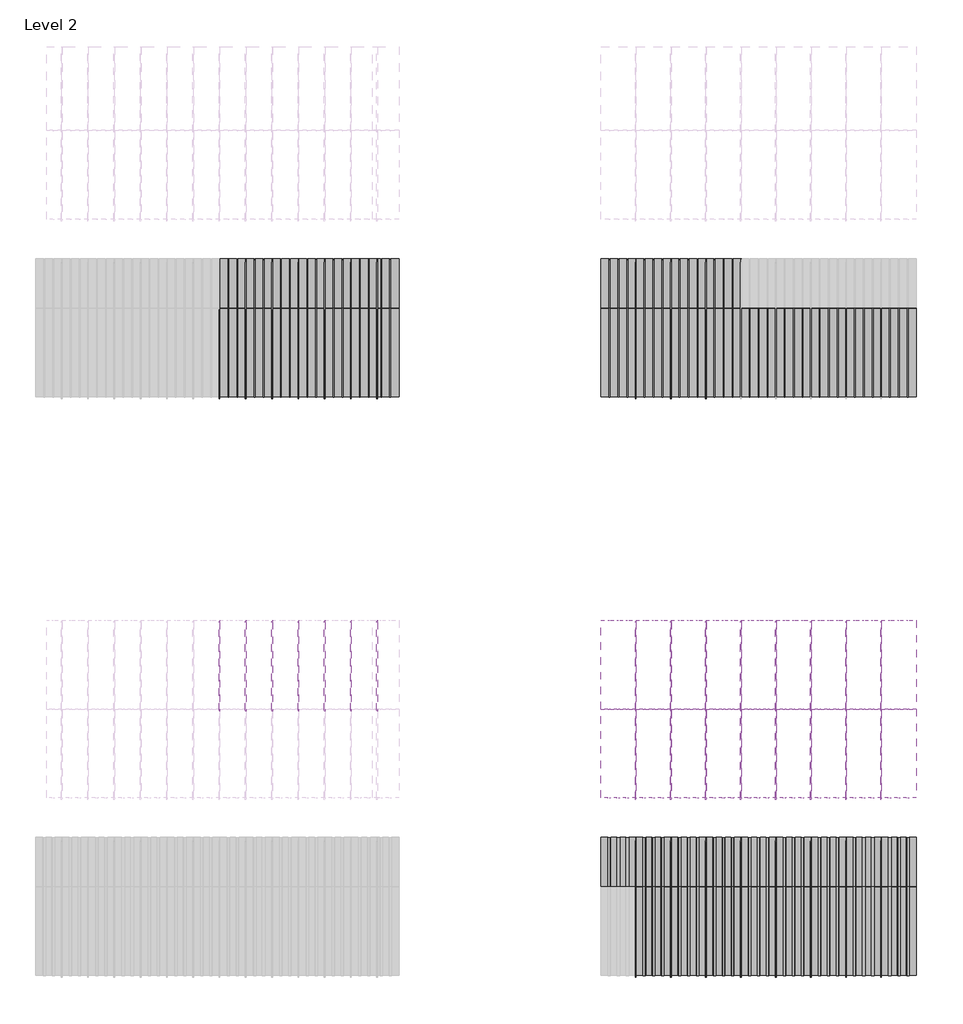
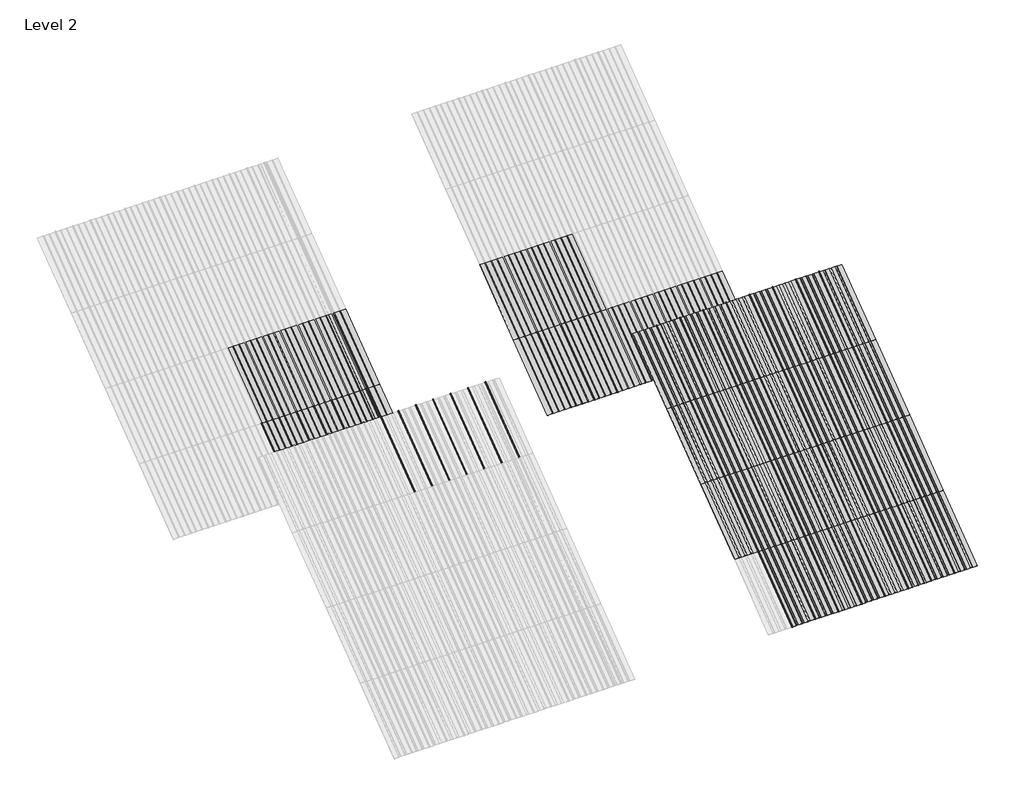
# One storey, part 18 of 113: 62 plates, 49 members.
"""IFC4 building model written with IfcOpenShell, lengths in millimetres."""

import ifcopenshell
import ifcopenshell.guid

model = None  # the IFC model being written
_history = None  # IfcOwnerHistory: only IFC2X3 demands one
_inside = {}  # id of a spatial element -> (the spatial element, [elements in it])
_under = {}  # id of a project, library or spatial element -> (it, [spatial elements below it])
_declared = {}  # id of a project -> (the project, [libraries it declares])
_typed = {}  # id of a type object -> (the type object, [elements of that type])
_made_of = {}  # id of a material, layer set ... -> (it, [elements and type objects made of it])


def new_model(schema):
    """Start an empty IFC model of exactly this schema.

    Asked for "IFC4X3", IfcOpenShell would pick the latest addendum, in which some entities
    have other attributes; the version numbers below select the first issue.
    IFC2X3 requires an IfcOwnerHistory on every rooted entity: one is made here for all.
    """
    global model, _history
    if schema == "IFC4X3":
        model = ifcopenshell.file(schema_version=(4, 3, 0, 0))
    else:
        model = ifcopenshell.file(schema=schema)
    _inside.clear()
    _under.clear()
    _declared.clear()
    _typed.clear()
    _made_of.clear()
    _history = None
    if model.schema == "IFC2X3":
        org = make("IfcOrganization", Name="unknown")
        user = make(
            "IfcPersonAndOrganization",
            ThePerson=make("IfcPerson", FamilyName="unknown"),
            TheOrganization=org,
        )
        app = make(
            "IfcApplication",
            ApplicationDeveloper=org,
            Version="unknown",
            ApplicationFullName="unknown",
            ApplicationIdentifier="unknown",
        )
        _history = make(
            "IfcOwnerHistory",
            OwningUser=user,
            OwningApplication=app,
            ChangeAction="ADDED",
            CreationDate=0,
        )
    return model


def make(cls, **values):
    """One entity of the class cls with the attributes given. An attribute that is None is left unset."""
    return model.create_entity(
        cls, **{name: value for name, value in values.items() if value is not None}
    )


def rooted(cls, **values):
    """An entity with a GlobalId (a new one), such as an element, a storey or a relation."""
    return make(cls, GlobalId=ifcopenshell.guid.new(), OwnerHistory=_history, **values)


def si_unit(unit_type, name, prefix=None):
    """IfcSIUnit, for example si_unit("LENGTHUNIT", "METRE", prefix="MILLI")."""
    return make("IfcSIUnit", UnitType=unit_type, Prefix=prefix, Name=name)


def assignment(units):
    """IfcUnitAssignment: the units of a project."""
    return None if units is None else make("IfcUnitAssignment", Units=units)


def point(xyz):
    """IfcCartesianPoint."""
    return None if xyz is None else make("IfcCartesianPoint", Coordinates=xyz)


def direction(xyz):
    """IfcDirection."""
    return None if xyz is None else make("IfcDirection", DirectionRatios=xyz)


def frame(location, z_axis=None, x_axis=None):
    """IfcAxis2Placement3D, a coordinate frame: its origin and axes. An axis left out is left unset."""
    return make(
        "IfcAxis2Placement3D",
        Location=point(location),
        Axis=direction(z_axis),
        RefDirection=direction(x_axis),
    )


def frame_2d(location, x_axis=None):
    """IfcAxis2Placement2D, a coordinate frame in the plane: its origin and x axis."""
    return make(
        "IfcAxis2Placement2D", Location=point(location), RefDirection=direction(x_axis)
    )


def origin():
    """The frame at (0, 0, 0) with its axes left unset."""
    return frame((0.0, 0.0, 0.0))


def origin_with_axes():
    """The frame at (0, 0, 0) with the z axis (0, 0, 1) and the x axis (1, 0, 0) written out."""
    return frame((0.0, 0.0, 0.0), z_axis=(0.0, 0.0, 1.0), x_axis=(1.0, 0.0, 0.0))


def origin_2d():
    """The frame at (0, 0) in the plane with its x axis left unset."""
    return frame_2d((0.0, 0.0))


def place(relative_to, where):
    """IfcLocalPlacement: puts the frame where relative to a parent placement (None: the world)."""
    return make(
        "IfcLocalPlacement", PlacementRelTo=relative_to, RelativePlacement=where
    )


def context(
    kind, dimensions, precision=None, world=None, true_north=None, identifier=None
):
    """IfcGeometricRepresentationContext, for example the 3D "Model" context."""
    return make(
        "IfcGeometricRepresentationContext",
        ContextIdentifier=identifier,
        ContextType=kind,
        CoordinateSpaceDimension=dimensions,
        Precision=precision,
        WorldCoordinateSystem=world,
        TrueNorth=true_north,
    )


def project(units=None, contexts=None):
    """IfcProject with its units and contexts."""
    return rooted(
        "IfcProject",
        Name="project",
        RepresentationContexts=contexts,
        UnitsInContext=assignment(units),
    )


def spatial(cls, under=None, at=None, **own):
    """A site, building, storey or space (cls), placed at a placement, below another one or the project."""
    s = rooted(cls, ObjectPlacement=at, **own)
    if under is not None:
        _under.setdefault(under.id(), (under, []))[1].append(s)
    return s


def polyline(points):
    """IfcPolyline through the points."""
    return make("IfcPolyline", Points=[point(p) for p in points])


def circle_curve(where, radius):
    """IfcCircle in the frame where."""
    return make("IfcCircle", Position=where, Radius=radius)


def trimmed(basis, trim1, trim2, sense, master):
    """IfcTrimmedCurve: the piece of a basis curve between two trims."""
    return make(
        "IfcTrimmedCurve",
        BasisCurve=basis,
        Trim1=trim1,
        Trim2=trim2,
        SenseAgreement=sense,
        MasterRepresentation=master,
    )


def segment(curve, same_sense, transition):
    """IfcCompositeCurveSegment."""
    return make(
        "IfcCompositeCurveSegment",
        Transition=transition,
        SameSense=same_sense,
        ParentCurve=curve,
    )


def composite_curve(segments, self_intersect=None):
    """IfcCompositeCurve: segments joined end to end."""
    return make("IfcCompositeCurve", Segments=segments, SelfIntersect=self_intersect)


def outline(outer, holes=None, kind="AREA"):
    """IfcArbitraryClosedProfileDef: a profile drawn as a closed curve; with holes, ...WithVoids."""
    if holes is None:
        return make("IfcArbitraryClosedProfileDef", ProfileType=kind, OuterCurve=outer)
    return make(
        "IfcArbitraryProfileDefWithVoids",
        ProfileType=kind,
        OuterCurve=outer,
        InnerCurves=holes,
    )


def extrude(swept, where, along, depth):
    """IfcExtrudedAreaSolid: the profile swept, set in the frame where, extruded along a direction by depth."""
    return make(
        "IfcExtrudedAreaSolid",
        SweptArea=swept,
        Position=where,
        ExtrudedDirection=direction(along),
        Depth=depth,
    )


def shape(context_of_items, identifier, shape_type, items):
    """IfcShapeRepresentation: the items that make up one representation, for example the "Body"."""
    return make(
        "IfcShapeRepresentation",
        ContextOfItems=context_of_items,
        RepresentationIdentifier=identifier,
        RepresentationType=shape_type,
        Items=items,
    )


def source(mapping_origin, context_of_items, identifier, shape_type, items):
    """IfcRepresentationMap: a shape defined once, which mapped items show again and again."""
    return make(
        "IfcRepresentationMap",
        MappingOrigin=mapping_origin,
        MappedRepresentation=shape(context_of_items, identifier, shape_type, items),
    )


def transform(
    local_origin,
    x_axis=None,
    y_axis=None,
    z_axis=None,
    scale=None,
    scale2=None,
    scale3=None,
    uniform=True,
):
    """IfcCartesianTransformationOperator3D, or its non-uniform kind. x_axis, y_axis, z_axis: its Axis1, 2, 3."""
    if uniform:
        return make(
            "IfcCartesianTransformationOperator3D",
            Axis1=direction(x_axis),
            Axis2=direction(y_axis),
            LocalOrigin=point(local_origin),
            Scale=scale,
            Axis3=direction(z_axis),
        )
    return make(
        "IfcCartesianTransformationOperator3DnonUniform",
        Axis1=direction(x_axis),
        Axis2=direction(y_axis),
        LocalOrigin=point(local_origin),
        Scale=scale,
        Axis3=direction(z_axis),
        Scale2=scale2,
        Scale3=scale3,
    )


def mapped(mapping_source, mapping_target):
    """IfcMappedItem: shows the shape of a source again, moved by a transform."""
    return make(
        "IfcMappedItem", MappingSource=mapping_source, MappingTarget=mapping_target
    )


def made_of(thing, what):
    """Note that an element or type object is made of a material, layer set ...; save() writes the relation."""
    if what is not None:
        _made_of.setdefault(what.id(), (what, []))[1].append(thing)
    return thing


def element(
    cls,
    number,
    at=None,
    inside=None,
    cuts=None,
    type_object=None,
    material=None,
    context=None,
    identifier="Body",
    shape_type=None,
    held_by="IfcProductDefinitionShape",
    body=None,
    shapes=None,
    **own,
):
    """One element of the class cls, such as IfcWall. Its Tag is "e" and its number.

    at: its placement. inside: the storey or other place that contains it. cuts: it is an
    opening in that element (IfcRelVoidsElement). A single representation is given by context,
    identifier, shape_type and body (its items); several are given by shapes. held_by: the class
    of the entity that holds the representations. save() writes the other relations.
    """
    e = rooted(cls, Tag="e%d" % number, ObjectPlacement=at, **own)
    if body is not None:
        shapes = [shape(context, identifier, shape_type, body)]
    if shapes is not None:
        e.Representation = make(held_by, Representations=shapes)
    if inside is not None:
        _inside.setdefault(inside.id(), (inside, []))[1].append(e)
    if cuts is not None:
        rooted(
            "IfcRelVoidsElement", RelatingBuildingElement=cuts, RelatedOpeningElement=e
        )
    if type_object is not None:
        _typed.setdefault(type_object.id(), (type_object, []))[1].append(e)
    return made_of(e, material)


def aggregate(whole, parts):
    """IfcRelAggregates: a whole, such as a stair, and the parts it consists of."""
    return rooted("IfcRelAggregates", RelatingObject=whole, RelatedObjects=parts)


def save(model, path):
    """Write the relations noted so far, then the file.

    IfcRelAggregates (storeys below a building ...), IfcRelContainedInSpatialStructure (elements
    in a storey), IfcRelDefinesByType, IfcRelAssociatesMaterial and IfcRelDeclares: one each for
    every whole, place, type object, material and project.
    """
    for whole, parts in _under.values():
        aggregate(whole, parts)
    for where, things in _inside.values():
        rooted(
            "IfcRelContainedInSpatialStructure",
            RelatedElements=things,
            RelatingStructure=where,
        )
    for kind, things in _typed.values():
        rooted("IfcRelDefinesByType", RelatedObjects=things, RelatingType=kind)
    for what, things in _made_of.values():
        rooted("IfcRelAssociatesMaterial", RelatedObjects=things, RelatingMaterial=what)
    for by, libraries in _declared.values():
        rooted("IfcRelDeclares", RelatingContext=by, RelatedDefinitions=libraries)
    model.write(path)


def rectangular_mullion_fdfbbcc3(model_context):
    return source(origin(), model_context, "Body", "SweptSolid", [
        extrude(outline(composite_curve([segment(polyline([(-1.651, -33.7200875), (-1.651, 0.5953125), (1.778, 0.5953125), (1.778, -36.2600875)]), True, "CONTINUOUS"), segment(trimmed(circle_curve(frame_2d((-0.762, -36.2600875)), 2.54), [point((1.778, -36.2600875))], [point((-0.762, -38.8000875))], False, "CARTESIAN"), True, "CONTINUOUS"), segment(polyline([(-0.762, -38.8000875), (-5.207, -38.8000875)]), True, "CONTINUOUS"), segment(trimmed(circle_curve(frame_2d((-5.207, -36.2600875)), 2.54), [point((-5.207, -38.8000875))], [point((-7.747, -36.2600875))], False, "CARTESIAN"), True, "CONTINUOUS"), segment(polyline([(-7.747, -36.2600875), (-7.747, -26.2270875)]), True, "CONTINUOUS"), segment(trimmed(circle_curve(frame_2d((-5.207, -26.2270875)), 2.54), [point((-7.747, -26.2270875))], [point((-2.667, -26.2270875))], False, "CARTESIAN"), True, "CONTINUOUS"), segment(polyline([(-2.667, -26.2270875), (-2.667, -33.7200875), (-1.651, -33.7200875)]), True, "CONTINUOUS")], self_intersect=False)), frame((0.0, 0.0, -1285.875), z_axis=(0.0, 0.0, 1.0), x_axis=(1.0, 0.0, 0.0)), (0.0, 0.0, 1.0), 1285.875),
    ])


def plate_0_04_aluminium_705ef83d(model_context):
    return source(origin(), model_context, "Body", "SweptSolid", [
        extrude(outline(polyline([(-123.9800294, 1.016), (-120.4316494, -2.53238), (-90.8914494, -2.53238), (-87.3430694, 0.8128), (-18.31848, 0.8128), (-14.7701, -2.73558), (14.7701, -2.73558), (18.31848, 0.8128), (85.75548, 0.8128), (89.30386, -2.73558), (118.84406, -2.73558), (122.39244, 0.8128), (203.2, 0.8128), (203.2, 0.0), (122.456147, 0.0), (118.907767, -3.54838), (89.240153, -3.54838), (85.691773, 0.0), (18.382187, 0.0), (14.833807, -3.54838), (-14.833807, -3.54838), (-18.382187, 0.0), (-87.2793624, 0.0), (-90.8277424, -3.54838), (-120.4953564, -3.54838), (-124.0437364, 0.0), (-203.2, 0.0), (-203.2, 1.016), (-123.9800294, 1.016)])), origin_with_axes(), (0.0, 0.0, 1.0), 1285.875),
    ])


def plate_0_04_aluminium_12188358(model_context):
    return source(origin(), model_context, "Body", "SweptSolid", [
        extrude(outline(composite_curve([segment(polyline([(-57.57418, 1.016), (-57.57418, 0.0)]), True, "CONTINUOUS"), segment(trimmed(circle_curve(frame_2d((-52.03698, 0.0)), 5.5372), [point((-57.57418, 0.0))], [point((-46.49978, 0.0))], True, "CARTESIAN"), True, "CONTINUOUS"), segment(polyline([(-46.49978, 0.0), (-46.49978, 1.016), (46.49978, 1.016), (46.49978, 0.0)]), True, "CONTINUOUS"), segment(trimmed(circle_curve(frame_2d((52.03698, 0.0)), 5.5372), [point((46.49978, 0.0))], [point((57.57418, 0.0))], True, "CARTESIAN"), True, "CONTINUOUS"), segment(polyline([(57.57418, 0.0), (57.57418, 1.016), (152.4, 1.016), (152.4, 0.0), (58.38698, 0.0)]), True, "CONTINUOUS"), segment(trimmed(circle_curve(frame_2d((52.03698, 0.0)), 6.35), [point((58.38698, 0.0))], [point((45.68698, 0.0))], False, "CARTESIAN"), True, "CONTINUOUS"), segment(polyline([(45.68698, 0.0), (-45.68698, 0.0)]), True, "CONTINUOUS"), segment(trimmed(circle_curve(frame_2d((-52.03698, 0.0)), 6.35), [point((-45.68698, 0.0))], [point((-58.38698, 0.0))], False, "CARTESIAN"), True, "CONTINUOUS"), segment(polyline([(-58.38698, 0.0), (-152.4, 0.0), (-152.4, 1.016), (-57.57418, 1.016)]), True, "CONTINUOUS")], self_intersect=False)), origin_with_axes(), (0.0, 0.0, 1.0), 1285.875),
    ])


def plate_0_04_aluminium_0b8a259f(model_context):
    return source(origin(), model_context, "Body", "SweptSolid", [
        extrude(outline(composite_curve([segment(polyline([(-111.1987494, 1.016), (-111.1987494, 0.0)]), True, "CONTINUOUS"), segment(trimmed(circle_curve(frame_2d((-105.6615494, 0.0)), 5.5372), [point((-111.1987494, 0.0))], [point((-100.1243494, 0.0))], True, "CARTESIAN"), True, "CONTINUOUS"), segment(polyline([(-100.1243494, 0.0), (-100.1243494, 0.8128), (-5.5372, 0.8128), (-5.5372, 0.0)]), True, "CONTINUOUS"), segment(trimmed(circle_curve(origin_2d(), 5.5372), [point((-5.5372, 0.0))], [point((5.5372, 0.0))], True, "CARTESIAN"), True, "CONTINUOUS"), segment(polyline([(5.5372, 0.0), (5.5372, 0.8128), (98.53676, 0.8128), (98.53676, 0.0)]), True, "CONTINUOUS"), segment(trimmed(circle_curve(frame_2d((104.07396, 0.0)), 5.5372), [point((98.53676, 0.0))], [point((109.61116, 0.0))], True, "CARTESIAN"), True, "CONTINUOUS"), segment(polyline([(109.61116, 0.0), (109.61116, 0.8128), (203.2, 0.8128), (203.2, 0.0), (110.42396, 0.0)]), True, "CONTINUOUS"), segment(trimmed(circle_curve(frame_2d((104.07396, 0.0)), 6.35), [point((110.42396, 0.0))], [point((97.72396, 0.0))], False, "CARTESIAN"), True, "CONTINUOUS"), segment(polyline([(97.72396, 0.0), (6.35, 0.0)]), True, "CONTINUOUS"), segment(trimmed(circle_curve(origin_2d(), 6.35), [point((6.35, 0.0))], [point((-6.35, 0.0))], False, "CARTESIAN"), True, "CONTINUOUS"), segment(polyline([(-6.35, 0.0), (-99.3115494, 0.0)]), True, "CONTINUOUS"), segment(trimmed(circle_curve(frame_2d((-105.6615494, 0.0)), 6.35), [point((-99.3115494, 0.0))], [point((-112.0115494, 0.0))], False, "CARTESIAN"), True, "CONTINUOUS"), segment(polyline([(-112.0115494, 0.0), (-203.2, 0.0), (-203.2, 1.016), (-111.1987494, 1.016)]), True, "CONTINUOUS")], self_intersect=False)), origin_with_axes(), (0.0, 0.0, 1.0), 1285.875),
    ])


model = new_model("IFC4")

# Units and contexts
model_context = context("Model", 3, world=origin())
ifc_project = project(units=[si_unit("LENGTHUNIT", "METRE", prefix="MILLI")], contexts=[model_context])

# Site, building, storey
site = spatial("IfcSite", under=ifc_project)
building = spatial("IfcBuilding", under=site)
storey = spatial("IfcBuildingStorey", under=building, Name="Level 2", Elevation=3048.0)

# Members
placement = place(None, origin())
rectangular_mullion_shape = rectangular_mullion_fdfbbcc3(model_context)
element("IfcMember", 1, ObjectType="Rectangular Mullion", at=placement, inside=storey, context=model_context, shape_type="MappedRepresentation", body=[
    mapped(rectangular_mullion_shape, transform((24032.5538419, 52371.3111864, 6134.1), x_axis=(1.0, 0.0, 0.0), y_axis=(0.0, 0.5999999999999946, -0.800000000000004), z_axis=(0.0, 0.800000000000004, 0.5999999999999946))),
])
element("IfcMember", 2, ObjectType="Rectangular Mullion", at=placement, inside=storey, context=model_context, shape_type="MappedRepresentation", body=[
    mapped(rectangular_mullion_shape, transform((24337.3538419, 52371.3111864, 6134.1), x_axis=(1.0, 0.0, 0.0), y_axis=(0.0, 0.5999999999999946, -0.800000000000004), z_axis=(0.0, 0.800000000000004, 0.5999999999999946))),
])
element("IfcMember", 3, ObjectType="Rectangular Mullion", at=placement, inside=storey, context=model_context, shape_type="MappedRepresentation", body=[
    mapped(rectangular_mullion_shape, transform((24642.1538419, 52371.3111864, 6134.1), x_axis=(1.0, 0.0, 0.0), y_axis=(0.0, 0.5999999999999946, -0.800000000000004), z_axis=(0.0, 0.800000000000004, 0.5999999999999946))),
])
element("IfcMember", 4, ObjectType="Rectangular Mullion", at=placement, inside=storey, context=model_context, shape_type="MappedRepresentation", body=[
    mapped(rectangular_mullion_shape, transform((28858.5538419, 52371.3111864, 6134.1), x_axis=(1.0, 0.0, 0.0), y_axis=(0.0, 0.5999999999999946, -0.800000000000004), z_axis=(0.0, 0.800000000000004, 0.5999999999999946))),
])
element("IfcMember", 5, ObjectType="Rectangular Mullion", at=placement, inside=storey, context=model_context, shape_type="MappedRepresentation", body=[
    mapped(rectangular_mullion_shape, transform((29264.9538419, 52371.3111864, 6134.1), x_axis=(1.0, 0.0, 0.0), y_axis=(0.0, 0.5999999999999946, -0.800000000000004), z_axis=(0.0, 0.800000000000004, 0.5999999999999946))),
])
element("IfcMember", 6, ObjectType="Rectangular Mullion", at=placement, inside=storey, context=model_context, shape_type="MappedRepresentation", body=[
    mapped(rectangular_mullion_shape, transform((29671.3538419, 52371.3111864, 6134.1), x_axis=(1.0, 0.0, 0.0), y_axis=(0.0, 0.5999999999999946, -0.800000000000004), z_axis=(0.0, 0.800000000000004, 0.5999999999999946))),
])
element("IfcMember", 7, ObjectType="Rectangular Mullion", at=placement, inside=storey, context=model_context, shape_type="MappedRepresentation", body=[
    mapped(rectangular_mullion_shape, transform((30077.7538419, 52371.3111864, 6134.1), x_axis=(1.0, 0.0, 0.0), y_axis=(0.0, 0.5999999999999946, -0.800000000000004), z_axis=(0.0, 0.800000000000004, 0.5999999999999946))),
])
element("IfcMember", 8, ObjectType="Rectangular Mullion", at=placement, inside=storey, context=model_context, shape_type="MappedRepresentation", body=[
    mapped(rectangular_mullion_shape, transform((30484.1538419, 52371.3111864, 6134.1), x_axis=(1.0, 0.0, 0.0), y_axis=(0.0, 0.5999999999999946, -0.800000000000004), z_axis=(0.0, 0.800000000000004, 0.5999999999999946))),
])
element("IfcMember", 9, ObjectType="Rectangular Mullion", at=placement, inside=storey, context=model_context, shape_type="MappedRepresentation", body=[
    mapped(rectangular_mullion_shape, transform((30890.5538419, 52371.3111864, 6134.1), x_axis=(1.0, 0.0, 0.0), y_axis=(0.0, 0.5999999999999946, -0.800000000000004), z_axis=(0.0, 0.800000000000004, 0.5999999999999946))),
])
element("IfcMember", 10, ObjectType="Rectangular Mullion", at=placement, inside=storey, context=model_context, shape_type="MappedRepresentation", body=[
    mapped(rectangular_mullion_shape, transform((31296.9538419, 52371.3111864, 6134.1), x_axis=(1.0, 0.0, 0.0), y_axis=(0.0, 0.5999999999999946, -0.800000000000004), z_axis=(0.0, 0.800000000000004, 0.5999999999999946))),
])
element("IfcMember", 11, ObjectType="Rectangular Mullion", at=placement, inside=storey, context=model_context, shape_type="MappedRepresentation", body=[
    mapped(rectangular_mullion_shape, transform((31703.3538419, 52371.3111864, 6134.1), x_axis=(1.0, 0.0, 0.0), y_axis=(0.0, 0.5999999999999946, -0.800000000000004), z_axis=(0.0, 0.800000000000004, 0.5999999999999946))),
])
element("IfcMember", 12, ObjectType="Rectangular Mullion", at=placement, inside=storey, context=model_context, shape_type="MappedRepresentation", body=[
    mapped(rectangular_mullion_shape, transform((24946.9538419, 52371.3111864, 6134.1), x_axis=(1.0, 0.0, 0.0), y_axis=(0.0, 0.5999999999999946, -0.800000000000004), z_axis=(0.0, 0.800000000000004, 0.5999999999999946))),
])
element("IfcMember", 13, ObjectType="Rectangular Mullion", at=placement, inside=storey, context=model_context, shape_type="MappedRepresentation", body=[
    mapped(rectangular_mullion_shape, transform((25251.7538419, 52371.3111864, 6134.1), x_axis=(1.0, 0.0, 0.0), y_axis=(0.0, 0.5999999999999946, -0.800000000000004), z_axis=(0.0, 0.800000000000004, 0.5999999999999946))),
])
element("IfcMember", 14, ObjectType="Rectangular Mullion", at=placement, inside=storey, context=model_context, shape_type="MappedRepresentation", body=[
    mapped(rectangular_mullion_shape, transform((25556.5538419, 52371.3111864, 6134.1), x_axis=(1.0, 0.0, 0.0), y_axis=(0.0, 0.5999999999999946, -0.800000000000004), z_axis=(0.0, 0.800000000000004, 0.5999999999999946))),
])
element("IfcMember", 15, ObjectType="Rectangular Mullion", at=placement, inside=storey, context=model_context, shape_type="MappedRepresentation", body=[
    mapped(rectangular_mullion_shape, transform((25861.3538419, 52371.3111864, 6134.1), x_axis=(1.0, 0.0, 0.0), y_axis=(0.0, 0.5999999999999946, -0.800000000000004), z_axis=(0.0, 0.800000000000004, 0.5999999999999946))),
])
element("IfcMember", 16, ObjectType="Rectangular Mullion", at=placement, inside=storey, context=model_context, shape_type="MappedRepresentation", body=[
    mapped(rectangular_mullion_shape, transform((28858.5538419, 49285.2111864, 3819.525), x_axis=(1.0, 0.0, 0.0), y_axis=(0.0, 0.5999999999999939, -0.8000000000000047), z_axis=(0.0, 0.8000000000000047, 0.5999999999999939))),
])
element("IfcMember", 17, ObjectType="Rectangular Mullion", at=placement, inside=storey, context=model_context, shape_type="MappedRepresentation", body=[
    mapped(rectangular_mullion_shape, transform((29264.9538419, 49285.2111864, 3819.525), x_axis=(1.0, 0.0, 0.0), y_axis=(0.0, 0.5999999999999939, -0.8000000000000047), z_axis=(0.0, 0.8000000000000047, 0.5999999999999939))),
])
element("IfcMember", 18, ObjectType="Rectangular Mullion", at=placement, inside=storey, context=model_context, shape_type="MappedRepresentation", body=[
    mapped(rectangular_mullion_shape, transform((29671.3538419, 49285.2111864, 3819.525), x_axis=(1.0, 0.0, 0.0), y_axis=(0.0, 0.5999999999999939, -0.8000000000000047), z_axis=(0.0, 0.8000000000000047, 0.5999999999999939))),
])
element("IfcMember", 19, ObjectType="Rectangular Mullion", at=placement, inside=storey, context=model_context, shape_type="MappedRepresentation", body=[
    mapped(rectangular_mullion_shape, transform((30077.7538419, 49285.2111864, 3819.525), x_axis=(1.0, 0.0, 0.0), y_axis=(0.0, 0.5999999999999939, -0.8000000000000047), z_axis=(0.0, 0.8000000000000047, 0.5999999999999939))),
])
element("IfcMember", 20, ObjectType="Rectangular Mullion", at=placement, inside=storey, context=model_context, shape_type="MappedRepresentation", body=[
    mapped(rectangular_mullion_shape, transform((30484.1538419, 49285.2111864, 3819.525), x_axis=(1.0, 0.0, 0.0), y_axis=(0.0, 0.5999999999999939, -0.8000000000000047), z_axis=(0.0, 0.8000000000000047, 0.5999999999999939))),
])
element("IfcMember", 21, ObjectType="Rectangular Mullion", at=placement, inside=storey, context=model_context, shape_type="MappedRepresentation", body=[
    mapped(rectangular_mullion_shape, transform((30890.5538419, 49285.2111864, 3819.525), x_axis=(1.0, 0.0, 0.0), y_axis=(0.0, 0.5999999999999939, -0.8000000000000047), z_axis=(0.0, 0.8000000000000047, 0.5999999999999939))),
])
element("IfcMember", 22, ObjectType="Rectangular Mullion", at=placement, inside=storey, context=model_context, shape_type="MappedRepresentation", body=[
    mapped(rectangular_mullion_shape, transform((31296.9538419, 49285.2111864, 3819.525), x_axis=(1.0, 0.0, 0.0), y_axis=(0.0, 0.5999999999999939, -0.8000000000000047), z_axis=(0.0, 0.8000000000000047, 0.5999999999999939))),
])
element("IfcMember", 23, ObjectType="Rectangular Mullion", at=placement, inside=storey, context=model_context, shape_type="MappedRepresentation", body=[
    mapped(rectangular_mullion_shape, transform((31703.3538419, 49285.2111864, 3819.525), x_axis=(1.0, 0.0, 0.0), y_axis=(0.0, 0.5999999999999939, -0.8000000000000047), z_axis=(0.0, 0.8000000000000047, 0.5999999999999939))),
])
element("IfcMember", 24, ObjectType="Rectangular Mullion", at=placement, inside=storey, context=model_context, shape_type="MappedRepresentation", body=[
    mapped(rectangular_mullion_shape, transform((24032.5538419, 55990.3349364, 3819.525), x_axis=(1.0, 0.0, 0.0), y_axis=(0.0, 0.5999999999999939, -0.8000000000000047), z_axis=(0.0, 0.8000000000000047, 0.5999999999999939))),
])
element("IfcMember", 25, ObjectType="Rectangular Mullion", at=placement, inside=storey, context=model_context, shape_type="MappedRepresentation", body=[
    mapped(rectangular_mullion_shape, transform((24337.3538419, 55990.3349364, 3819.525), x_axis=(1.0, 0.0, 0.0), y_axis=(0.0, 0.5999999999999939, -0.8000000000000047), z_axis=(0.0, 0.8000000000000047, 0.5999999999999939))),
])
element("IfcMember", 26, ObjectType="Rectangular Mullion", at=placement, inside=storey, context=model_context, shape_type="MappedRepresentation", body=[
    mapped(rectangular_mullion_shape, transform((24642.1538419, 55990.3349364, 3819.525), x_axis=(1.0, 0.0, 0.0), y_axis=(0.0, 0.5999999999999939, -0.8000000000000047), z_axis=(0.0, 0.8000000000000047, 0.5999999999999939))),
])
element("IfcMember", 27, ObjectType="Rectangular Mullion", at=placement, inside=storey, context=model_context, shape_type="MappedRepresentation", body=[
    mapped(rectangular_mullion_shape, transform((28858.5538419, 55990.3349364, 3819.525), x_axis=(1.0, 0.0, 0.0), y_axis=(0.0, 0.5999999999999939, -0.8000000000000047), z_axis=(0.0, 0.8000000000000047, 0.5999999999999939))),
])
element("IfcMember", 28, ObjectType="Rectangular Mullion", at=placement, inside=storey, context=model_context, shape_type="MappedRepresentation", body=[
    mapped(rectangular_mullion_shape, transform((29264.9538419, 55990.3349364, 3819.525), x_axis=(1.0, 0.0, 0.0), y_axis=(0.0, 0.5999999999999939, -0.8000000000000047), z_axis=(0.0, 0.8000000000000047, 0.5999999999999939))),
])
element("IfcMember", 29, ObjectType="Rectangular Mullion", at=placement, inside=storey, context=model_context, shape_type="MappedRepresentation", body=[
    mapped(rectangular_mullion_shape, transform((29671.3538419, 55990.3349364, 3819.525), x_axis=(1.0, 0.0, 0.0), y_axis=(0.0, 0.5999999999999939, -0.8000000000000047), z_axis=(0.0, 0.8000000000000047, 0.5999999999999939))),
])
element("IfcMember", 30, ObjectType="Rectangular Mullion", at=placement, inside=storey, context=model_context, shape_type="MappedRepresentation", body=[
    mapped(rectangular_mullion_shape, transform((24946.9538419, 55990.3349364, 3819.525), x_axis=(1.0, 0.0, 0.0), y_axis=(0.0, 0.5999999999999939, -0.8000000000000047), z_axis=(0.0, 0.8000000000000047, 0.5999999999999939))),
])
element("IfcMember", 31, ObjectType="Rectangular Mullion", at=placement, inside=storey, context=model_context, shape_type="MappedRepresentation", body=[
    mapped(rectangular_mullion_shape, transform((25251.7538419, 55990.3349364, 3819.525), x_axis=(1.0, 0.0, 0.0), y_axis=(0.0, 0.5999999999999939, -0.8000000000000047), z_axis=(0.0, 0.8000000000000047, 0.5999999999999939))),
])
element("IfcMember", 32, ObjectType="Rectangular Mullion", at=placement, inside=storey, context=model_context, shape_type="MappedRepresentation", body=[
    mapped(rectangular_mullion_shape, transform((25556.5538419, 55990.3349364, 3819.525), x_axis=(1.0, 0.0, 0.0), y_axis=(0.0, 0.5999999999999939, -0.8000000000000047), z_axis=(0.0, 0.8000000000000047, 0.5999999999999939))),
])
element("IfcMember", 33, ObjectType="Rectangular Mullion", at=placement, inside=storey, context=model_context, shape_type="MappedRepresentation", body=[
    mapped(rectangular_mullion_shape, transform((25861.3538419, 55990.3349364, 3819.525), x_axis=(1.0, 0.0, 0.0), y_axis=(0.0, 0.5999999999999939, -0.8000000000000047), z_axis=(0.0, 0.8000000000000047, 0.5999999999999939))),
])
element("IfcMember", 34, ObjectType="Rectangular Mullion", at=placement, inside=storey, context=model_context, shape_type="MappedRepresentation", body=[
    mapped(rectangular_mullion_shape, transform((28858.5538419, 50313.9111864, 4591.05), x_axis=(1.0, 0.0, 0.0), y_axis=(0.0, 0.5999999999999946, -0.800000000000004), z_axis=(0.0, 0.800000000000004, 0.5999999999999946))),
])
element("IfcMember", 35, ObjectType="Rectangular Mullion", at=placement, inside=storey, context=model_context, shape_type="MappedRepresentation", body=[
    mapped(rectangular_mullion_shape, transform((29264.9538419, 50313.9111864, 4591.05), x_axis=(1.0, 0.0, 0.0), y_axis=(0.0, 0.5999999999999946, -0.800000000000004), z_axis=(0.0, 0.800000000000004, 0.5999999999999946))),
])
element("IfcMember", 36, ObjectType="Rectangular Mullion", at=placement, inside=storey, context=model_context, shape_type="MappedRepresentation", body=[
    mapped(rectangular_mullion_shape, transform((28858.5538419, 51342.6111864, 5362.575), x_axis=(1.0, 0.0, 0.0), y_axis=(0.0, 0.5999999999999946, -0.800000000000004), z_axis=(0.0, 0.800000000000004, 0.5999999999999946))),
])
element("IfcMember", 37, ObjectType="Rectangular Mullion", at=placement, inside=storey, context=model_context, shape_type="MappedRepresentation", body=[
    mapped(rectangular_mullion_shape, transform((29264.9538419, 51342.6111864, 5362.575), x_axis=(1.0, 0.0, 0.0), y_axis=(0.0, 0.5999999999999946, -0.800000000000004), z_axis=(0.0, 0.800000000000004, 0.5999999999999946))),
])
element("IfcMember", 38, ObjectType="Rectangular Mullion", at=placement, inside=storey, context=model_context, shape_type="MappedRepresentation", body=[
    mapped(rectangular_mullion_shape, transform((29671.3538419, 50313.9111864, 4591.05), x_axis=(1.0, 0.0, 0.0), y_axis=(0.0, 0.5999999999999946, -0.800000000000004), z_axis=(0.0, 0.800000000000004, 0.5999999999999946))),
])
element("IfcMember", 39, ObjectType="Rectangular Mullion", at=placement, inside=storey, context=model_context, shape_type="MappedRepresentation", body=[
    mapped(rectangular_mullion_shape, transform((30077.7538419, 50313.9111864, 4591.05), x_axis=(1.0, 0.0, 0.0), y_axis=(0.0, 0.5999999999999946, -0.800000000000004), z_axis=(0.0, 0.800000000000004, 0.5999999999999946))),
])
element("IfcMember", 40, ObjectType="Rectangular Mullion", at=placement, inside=storey, context=model_context, shape_type="MappedRepresentation", body=[
    mapped(rectangular_mullion_shape, transform((30484.1538419, 50313.9111864, 4591.05), x_axis=(1.0, 0.0, 0.0), y_axis=(0.0, 0.5999999999999946, -0.800000000000004), z_axis=(0.0, 0.800000000000004, 0.5999999999999946))),
])
element("IfcMember", 41, ObjectType="Rectangular Mullion", at=placement, inside=storey, context=model_context, shape_type="MappedRepresentation", body=[
    mapped(rectangular_mullion_shape, transform((30890.5538419, 50313.9111864, 4591.05), x_axis=(1.0, 0.0, 0.0), y_axis=(0.0, 0.5999999999999946, -0.800000000000004), z_axis=(0.0, 0.800000000000004, 0.5999999999999946))),
])
element("IfcMember", 42, ObjectType="Rectangular Mullion", at=placement, inside=storey, context=model_context, shape_type="MappedRepresentation", body=[
    mapped(rectangular_mullion_shape, transform((31296.9538419, 50313.9111864, 4591.05), x_axis=(1.0, 0.0, 0.0), y_axis=(0.0, 0.5999999999999946, -0.800000000000004), z_axis=(0.0, 0.800000000000004, 0.5999999999999946))),
])
element("IfcMember", 43, ObjectType="Rectangular Mullion", at=placement, inside=storey, context=model_context, shape_type="MappedRepresentation", body=[
    mapped(rectangular_mullion_shape, transform((31703.3538419, 50313.9111864, 4591.05), x_axis=(1.0, 0.0, 0.0), y_axis=(0.0, 0.5999999999999949, -0.8000000000000038), z_axis=(0.0, 0.8000000000000038, 0.5999999999999949))),
])
element("IfcMember", 44, ObjectType="Rectangular Mullion", at=placement, inside=storey, context=model_context, shape_type="MappedRepresentation", body=[
    mapped(rectangular_mullion_shape, transform((29671.3538419, 51342.6111864, 5362.575), x_axis=(1.0, 0.0, 0.0), y_axis=(0.0, 0.5999999999999946, -0.800000000000004), z_axis=(0.0, 0.800000000000004, 0.5999999999999946))),
])
element("IfcMember", 45, ObjectType="Rectangular Mullion", at=placement, inside=storey, context=model_context, shape_type="MappedRepresentation", body=[
    mapped(rectangular_mullion_shape, transform((30077.7538419, 51342.6111864, 5362.575), x_axis=(1.0, 0.0, 0.0), y_axis=(0.0, 0.5999999999999946, -0.800000000000004), z_axis=(0.0, 0.800000000000004, 0.5999999999999946))),
])
element("IfcMember", 46, ObjectType="Rectangular Mullion", at=placement, inside=storey, context=model_context, shape_type="MappedRepresentation", body=[
    mapped(rectangular_mullion_shape, transform((30484.1538419, 51342.6111864, 5362.575), x_axis=(1.0, 0.0, 0.0), y_axis=(0.0, 0.5999999999999946, -0.800000000000004), z_axis=(0.0, 0.800000000000004, 0.5999999999999946))),
])
element("IfcMember", 47, ObjectType="Rectangular Mullion", at=placement, inside=storey, context=model_context, shape_type="MappedRepresentation", body=[
    mapped(rectangular_mullion_shape, transform((30890.5538419, 51342.6111864, 5362.575), x_axis=(1.0, 0.0, 0.0), y_axis=(0.0, 0.5999999999999946, -0.800000000000004), z_axis=(0.0, 0.800000000000004, 0.5999999999999946))),
])
element("IfcMember", 48, ObjectType="Rectangular Mullion", at=placement, inside=storey, context=model_context, shape_type="MappedRepresentation", body=[
    mapped(rectangular_mullion_shape, transform((31296.9538419, 51342.6111864, 5362.575), x_axis=(1.0, 0.0, 0.0), y_axis=(0.0, 0.5999999999999946, -0.800000000000004), z_axis=(0.0, 0.800000000000004, 0.5999999999999946))),
])
element("IfcMember", 49, ObjectType="Rectangular Mullion", at=placement, inside=storey, context=model_context, shape_type="MappedRepresentation", body=[
    mapped(rectangular_mullion_shape, transform((31703.3538419, 51342.6111864, 5362.575), x_axis=(1.0, 0.0, 0.0), y_axis=(0.0, 0.5999999999999939, -0.8000000000000047), z_axis=(0.0, 0.8000000000000047, 0.5999999999999939))),
])

# Plates
plate_0_04_aluminium_shape = plate_0_04_aluminium_705ef83d(model_context)
element("IfcPlate", 50, ObjectType="0.04 Aluminium", at=placement, inside=storey, context=model_context, shape_type="MappedRepresentation", body=[
    mapped(plate_0_04_aluminium_shape, transform((28655.3538417, 49285.2111864, 3819.525), x_axis=(1.0, 0.0, 0.0), y_axis=(0.0, 0.5999999999999943, -0.8000000000000043), z_axis=(0.0, 0.8000000000000043, 0.5999999999999943))),
])
element("IfcPlate", 51, ObjectType="0.04 Aluminium", at=placement, inside=storey, context=model_context, shape_type="MappedRepresentation", body=[
    mapped(plate_0_04_aluminium_shape, transform((28655.3538417, 50313.9111864, 4591.05), x_axis=(1.0, 0.0, 0.0), y_axis=(0.0, 0.5999999999999943, -0.8000000000000043), z_axis=(0.0, 0.8000000000000043, 0.5999999999999943))),
])
element("IfcPlate", 52, ObjectType="0.04 Aluminium", at=placement, inside=storey, context=model_context, shape_type="MappedRepresentation", body=[
    mapped(plate_0_04_aluminium_shape, transform((28655.3538417, 51342.6111864, 5362.575), x_axis=(1.0, 0.0, 0.0), y_axis=(0.0, 0.5999999999999943, -0.8000000000000043), z_axis=(0.0, 0.8000000000000043, 0.5999999999999943))),
])
element("IfcPlate", 53, ObjectType="0.04 Aluminium", at=placement, inside=storey, context=model_context, shape_type="MappedRepresentation", body=[
    mapped(plate_0_04_aluminium_shape, transform((29061.8173419, 48256.5111864, 3048.0), x_axis=(1.0, 0.0, 0.0), y_axis=(0.0, 0.5999999999999943, -0.8000000000000043), z_axis=(0.0, 0.8000000000000043, 0.5999999999999943))),
])
element("IfcPlate", 54, ObjectType="0.04 Aluminium", at=placement, inside=storey, context=model_context, shape_type="MappedRepresentation", body=[
    mapped(plate_0_04_aluminium_shape, transform((29468.2173419, 48256.5111864, 3048.0), x_axis=(1.0, 0.0, 0.0), y_axis=(0.0, 0.5999999999999943, -0.8000000000000043), z_axis=(0.0, 0.8000000000000043, 0.5999999999999943))),
])
element("IfcPlate", 55, ObjectType="0.04 Aluminium", at=placement, inside=storey, context=model_context, shape_type="MappedRepresentation", body=[
    mapped(plate_0_04_aluminium_shape, transform((29061.8173419, 49285.2111864, 3819.525), x_axis=(1.0, 0.0, 0.0), y_axis=(0.0, 0.5999999999999943, -0.8000000000000043), z_axis=(0.0, 0.8000000000000043, 0.5999999999999943))),
])
element("IfcPlate", 56, ObjectType="0.04 Aluminium", at=placement, inside=storey, context=model_context, shape_type="MappedRepresentation", body=[
    mapped(plate_0_04_aluminium_shape, transform((29468.2173419, 49285.2111864, 3819.525), x_axis=(1.0, 0.0, 0.0), y_axis=(0.0, 0.5999999999999943, -0.8000000000000043), z_axis=(0.0, 0.8000000000000043, 0.5999999999999943))),
])
element("IfcPlate", 57, ObjectType="0.04 Aluminium", at=placement, inside=storey, context=model_context, shape_type="MappedRepresentation", body=[
    mapped(plate_0_04_aluminium_shape, transform((29061.8173419, 50313.9111864, 4591.05), x_axis=(1.0, 0.0, 0.0), y_axis=(0.0, 0.5999999999999943, -0.8000000000000043), z_axis=(0.0, 0.8000000000000043, 0.5999999999999943))),
])
element("IfcPlate", 58, ObjectType="0.04 Aluminium", at=placement, inside=storey, context=model_context, shape_type="MappedRepresentation", body=[
    mapped(plate_0_04_aluminium_shape, transform((29468.2173419, 50313.9111864, 4591.05), x_axis=(1.0, 0.0, 0.0), y_axis=(0.0, 0.5999999999999943, -0.8000000000000043), z_axis=(0.0, 0.8000000000000043, 0.5999999999999943))),
])
element("IfcPlate", 59, ObjectType="0.04 Aluminium", at=placement, inside=storey, context=model_context, shape_type="MappedRepresentation", body=[
    mapped(plate_0_04_aluminium_shape, transform((29061.8173419, 51342.6111864, 5362.575), x_axis=(1.0, 0.0, 0.0), y_axis=(0.0, 0.5999999999999943, -0.8000000000000043), z_axis=(0.0, 0.8000000000000043, 0.5999999999999943))),
])
element("IfcPlate", 60, ObjectType="0.04 Aluminium", at=placement, inside=storey, context=model_context, shape_type="MappedRepresentation", body=[
    mapped(plate_0_04_aluminium_shape, transform((29468.2173419, 51342.6111864, 5362.575), x_axis=(1.0, 0.0, 0.0), y_axis=(0.0, 0.5999999999999943, -0.8000000000000043), z_axis=(0.0, 0.8000000000000043, 0.5999999999999943))),
])
element("IfcPlate", 61, ObjectType="0.04 Aluminium", at=placement, inside=storey, context=model_context, shape_type="MappedRepresentation", body=[
    mapped(plate_0_04_aluminium_shape, transform((29874.6173419, 48256.5111864, 3048.0), x_axis=(1.0, 0.0, 0.0), y_axis=(0.0, 0.5999999999999943, -0.8000000000000043), z_axis=(0.0, 0.8000000000000043, 0.5999999999999943))),
])
element("IfcPlate", 62, ObjectType="0.04 Aluminium", at=placement, inside=storey, context=model_context, shape_type="MappedRepresentation", body=[
    mapped(plate_0_04_aluminium_shape, transform((29874.6173419, 49285.2111864, 3819.525), x_axis=(1.0, 0.0, 0.0), y_axis=(0.0, 0.5999999999999943, -0.8000000000000043), z_axis=(0.0, 0.8000000000000043, 0.5999999999999943))),
])
element("IfcPlate", 63, ObjectType="0.04 Aluminium", at=placement, inside=storey, context=model_context, shape_type="MappedRepresentation", body=[
    mapped(plate_0_04_aluminium_shape, transform((29874.6173419, 50313.9111864, 4591.05), x_axis=(1.0, 0.0, 0.0), y_axis=(0.0, 0.5999999999999943, -0.8000000000000043), z_axis=(0.0, 0.8000000000000043, 0.5999999999999943))),
])
element("IfcPlate", 64, ObjectType="0.04 Aluminium", at=placement, inside=storey, context=model_context, shape_type="MappedRepresentation", body=[
    mapped(plate_0_04_aluminium_shape, transform((29874.6173419, 51342.6111864, 5362.575), x_axis=(1.0, 0.0, 0.0), y_axis=(0.0, 0.5999999999999943, -0.8000000000000043), z_axis=(0.0, 0.8000000000000043, 0.5999999999999943))),
])
element("IfcPlate", 65, ObjectType="0.04 Aluminium", at=placement, inside=storey, context=model_context, shape_type="MappedRepresentation", body=[
    mapped(plate_0_04_aluminium_shape, transform((30281.0173419, 48256.5111864, 3048.0), x_axis=(1.0, 0.0, 0.0), y_axis=(0.0, 0.5999999999999943, -0.8000000000000043), z_axis=(0.0, 0.8000000000000043, 0.5999999999999943))),
])
element("IfcPlate", 66, ObjectType="0.04 Aluminium", at=placement, inside=storey, context=model_context, shape_type="MappedRepresentation", body=[
    mapped(plate_0_04_aluminium_shape, transform((30281.0173419, 49285.2111864, 3819.525), x_axis=(1.0, 0.0, 0.0), y_axis=(0.0, 0.5999999999999943, -0.8000000000000043), z_axis=(0.0, 0.8000000000000043, 0.5999999999999943))),
])
element("IfcPlate", 67, ObjectType="0.04 Aluminium", at=placement, inside=storey, context=model_context, shape_type="MappedRepresentation", body=[
    mapped(plate_0_04_aluminium_shape, transform((30281.0173419, 50313.9111864, 4591.05), x_axis=(1.0, 0.0, 0.0), y_axis=(0.0, 0.5999999999999943, -0.8000000000000043), z_axis=(0.0, 0.8000000000000043, 0.5999999999999943))),
])
element("IfcPlate", 68, ObjectType="0.04 Aluminium", at=placement, inside=storey, context=model_context, shape_type="MappedRepresentation", body=[
    mapped(plate_0_04_aluminium_shape, transform((30281.0173419, 51342.6111864, 5362.575), x_axis=(1.0, 0.0, 0.0), y_axis=(0.0, 0.5999999999999943, -0.8000000000000043), z_axis=(0.0, 0.8000000000000043, 0.5999999999999943))),
])
element("IfcPlate", 69, ObjectType="0.04 Aluminium", at=placement, inside=storey, context=model_context, shape_type="MappedRepresentation", body=[
    mapped(plate_0_04_aluminium_shape, transform((30687.4173419, 48256.5111864, 3048.0), x_axis=(1.0, 0.0, 0.0), y_axis=(0.0, 0.5999999999999943, -0.8000000000000043), z_axis=(0.0, 0.8000000000000043, 0.5999999999999943))),
])
element("IfcPlate", 70, ObjectType="0.04 Aluminium", at=placement, inside=storey, context=model_context, shape_type="MappedRepresentation", body=[
    mapped(plate_0_04_aluminium_shape, transform((30687.4173419, 49285.2111864, 3819.525), x_axis=(1.0, 0.0, 0.0), y_axis=(0.0, 0.5999999999999943, -0.8000000000000043), z_axis=(0.0, 0.8000000000000043, 0.5999999999999943))),
])
element("IfcPlate", 71, ObjectType="0.04 Aluminium", at=placement, inside=storey, context=model_context, shape_type="MappedRepresentation", body=[
    mapped(plate_0_04_aluminium_shape, transform((30687.4173419, 50313.9111864, 4591.05), x_axis=(1.0, 0.0, 0.0), y_axis=(0.0, 0.5999999999999943, -0.8000000000000043), z_axis=(0.0, 0.8000000000000043, 0.5999999999999943))),
])
element("IfcPlate", 72, ObjectType="0.04 Aluminium", at=placement, inside=storey, context=model_context, shape_type="MappedRepresentation", body=[
    mapped(plate_0_04_aluminium_shape, transform((30687.4173419, 51342.6111864, 5362.575), x_axis=(1.0, 0.0, 0.0), y_axis=(0.0, 0.5999999999999943, -0.8000000000000043), z_axis=(0.0, 0.8000000000000043, 0.5999999999999943))),
])
element("IfcPlate", 73, ObjectType="0.04 Aluminium", at=placement, inside=storey, context=model_context, shape_type="MappedRepresentation", body=[
    mapped(plate_0_04_aluminium_shape, transform((31093.8173419, 48256.5111864, 3048.0), x_axis=(1.0, 0.0, 0.0), y_axis=(0.0, 0.5999999999999943, -0.8000000000000043), z_axis=(0.0, 0.8000000000000043, 0.5999999999999943))),
])
element("IfcPlate", 74, ObjectType="0.04 Aluminium", at=placement, inside=storey, context=model_context, shape_type="MappedRepresentation", body=[
    mapped(plate_0_04_aluminium_shape, transform((31093.8173419, 49285.2111864, 3819.525), x_axis=(1.0, 0.0, 0.0), y_axis=(0.0, 0.5999999999999943, -0.8000000000000043), z_axis=(0.0, 0.8000000000000043, 0.5999999999999943))),
])
element("IfcPlate", 75, ObjectType="0.04 Aluminium", at=placement, inside=storey, context=model_context, shape_type="MappedRepresentation", body=[
    mapped(plate_0_04_aluminium_shape, transform((31093.8173419, 50313.9111864, 4591.05), x_axis=(1.0, 0.0, 0.0), y_axis=(0.0, 0.5999999999999943, -0.8000000000000043), z_axis=(0.0, 0.8000000000000043, 0.5999999999999943))),
])
element("IfcPlate", 76, ObjectType="0.04 Aluminium", at=placement, inside=storey, context=model_context, shape_type="MappedRepresentation", body=[
    mapped(plate_0_04_aluminium_shape, transform((31093.8173419, 51342.6111864, 5362.575), x_axis=(1.0, 0.0, 0.0), y_axis=(0.0, 0.5999999999999943, -0.8000000000000043), z_axis=(0.0, 0.8000000000000043, 0.5999999999999943))),
])
element("IfcPlate", 77, ObjectType="0.04 Aluminium", at=placement, inside=storey, context=model_context, shape_type="MappedRepresentation", body=[
    mapped(plate_0_04_aluminium_shape, transform((31500.2173419, 48256.5111864, 3048.0), x_axis=(1.0, 0.0, 0.0), y_axis=(0.0, 0.5999999999999943, -0.8000000000000043), z_axis=(0.0, 0.8000000000000043, 0.5999999999999943))),
])
element("IfcPlate", 78, ObjectType="0.04 Aluminium", at=placement, inside=storey, context=model_context, shape_type="MappedRepresentation", body=[
    mapped(plate_0_04_aluminium_shape, transform((31500.2173419, 49285.2111864, 3819.525), x_axis=(1.0, 0.0, 0.0), y_axis=(0.0, 0.5999999999999943, -0.8000000000000043), z_axis=(0.0, 0.8000000000000043, 0.5999999999999943))),
])
element("IfcPlate", 79, ObjectType="0.04 Aluminium", at=placement, inside=storey, context=model_context, shape_type="MappedRepresentation", body=[
    mapped(plate_0_04_aluminium_shape, transform((31500.2173419, 50313.9111864, 4591.05), x_axis=(1.0, 0.0, 0.0), y_axis=(0.0, 0.5999999999999943, -0.8000000000000043), z_axis=(0.0, 0.8000000000000043, 0.5999999999999943))),
])
element("IfcPlate", 80, ObjectType="0.04 Aluminium", at=placement, inside=storey, context=model_context, shape_type="MappedRepresentation", body=[
    mapped(plate_0_04_aluminium_shape, transform((31500.2173419, 51342.6111864, 5362.575), x_axis=(1.0, 0.0, 0.0), y_axis=(0.0, 0.5999999999999943, -0.8000000000000043), z_axis=(0.0, 0.8000000000000043, 0.5999999999999943))),
])
element("IfcPlate", 81, ObjectType="0.04 Aluminium", at=placement, inside=storey, context=model_context, shape_type="MappedRepresentation", body=[
    mapped(plate_0_04_aluminium_shape, transform((31906.6173419, 48256.5111864, 3048.0), x_axis=(1.0, 0.0, 0.0), y_axis=(0.0, 0.5999999999999943, -0.8000000000000043), z_axis=(0.0, 0.8000000000000043, 0.5999999999999943))),
])
element("IfcPlate", 82, ObjectType="0.04 Aluminium", at=placement, inside=storey, context=model_context, shape_type="MappedRepresentation", body=[
    mapped(plate_0_04_aluminium_shape, transform((31906.6173419, 49285.2111864, 3819.525), x_axis=(1.0, 0.0, 0.0), y_axis=(0.0, 0.5999999999999943, -0.8000000000000043), z_axis=(0.0, 0.8000000000000043, 0.5999999999999943))),
])
element("IfcPlate", 83, ObjectType="0.04 Aluminium", at=placement, inside=storey, context=model_context, shape_type="MappedRepresentation", body=[
    mapped(plate_0_04_aluminium_shape, transform((31906.6173419, 50313.9111864, 4591.05), x_axis=(1.0, 0.0, 0.0), y_axis=(0.0, 0.5999999999999943, -0.8000000000000043), z_axis=(0.0, 0.8000000000000043, 0.5999999999999943))),
])
element("IfcPlate", 84, ObjectType="0.04 Aluminium", at=placement, inside=storey, context=model_context, shape_type="MappedRepresentation", body=[
    mapped(plate_0_04_aluminium_shape, transform((31906.6173419, 51342.6111864, 5362.575), x_axis=(1.0, 0.0, 0.0), y_axis=(0.0, 0.5999999999999943, -0.8000000000000043), z_axis=(0.0, 0.8000000000000043, 0.5999999999999943))),
])
plate_0_04_aluminium_2_shape = plate_0_04_aluminium_12188358(model_context)
element("IfcPlate", 85, ObjectType="0.04 Aluminium", at=placement, inside=storey, context=model_context, shape_type="MappedRepresentation", body=[
    mapped(plate_0_04_aluminium_2_shape, transform((24185.0173419, 54961.6349364, 3048.0), x_axis=(1.0, 0.0, 0.0), y_axis=(0.0, 0.5999999999999943, -0.8000000000000043), z_axis=(0.0, 0.8000000000000043, 0.5999999999999943))),
])
element("IfcPlate", 86, ObjectType="0.04 Aluminium", at=placement, inside=storey, context=model_context, shape_type="MappedRepresentation", body=[
    mapped(plate_0_04_aluminium_2_shape, transform((24185.0173419, 55990.3349364, 3819.525), x_axis=(1.0, 0.0, 0.0), y_axis=(0.0, 0.5999999999999943, -0.8000000000000043), z_axis=(0.0, 0.8000000000000043, 0.5999999999999943))),
])
element("IfcPlate", 87, ObjectType="0.04 Aluminium", at=placement, inside=storey, context=model_context, shape_type="MappedRepresentation", body=[
    mapped(plate_0_04_aluminium_2_shape, transform((24489.8173419, 54961.6349364, 3048.0), x_axis=(1.0, 0.0, 0.0), y_axis=(0.0, 0.5999999999999943, -0.8000000000000043), z_axis=(0.0, 0.8000000000000043, 0.5999999999999943))),
])
element("IfcPlate", 88, ObjectType="0.04 Aluminium", at=placement, inside=storey, context=model_context, shape_type="MappedRepresentation", body=[
    mapped(plate_0_04_aluminium_2_shape, transform((24489.8173419, 55990.3349364, 3819.525), x_axis=(1.0, 0.0, 0.0), y_axis=(0.0, 0.5999999999999943, -0.8000000000000043), z_axis=(0.0, 0.8000000000000043, 0.5999999999999943))),
])
element("IfcPlate", 89, ObjectType="0.04 Aluminium", at=placement, inside=storey, context=model_context, shape_type="MappedRepresentation", body=[
    mapped(plate_0_04_aluminium_2_shape, transform((24794.6173419, 54961.6349364, 3048.0), x_axis=(1.0, 0.0, 0.0), y_axis=(0.0, 0.5999999999999943, -0.8000000000000043), z_axis=(0.0, 0.8000000000000043, 0.5999999999999943))),
])
element("IfcPlate", 90, ObjectType="0.04 Aluminium", at=placement, inside=storey, context=model_context, shape_type="MappedRepresentation", body=[
    mapped(plate_0_04_aluminium_2_shape, transform((24794.6173419, 55990.3349364, 3819.525), x_axis=(1.0, 0.0, 0.0), y_axis=(0.0, 0.5999999999999943, -0.8000000000000043), z_axis=(0.0, 0.8000000000000043, 0.5999999999999943))),
])
element("IfcPlate", 91, ObjectType="0.04 Aluminium", at=placement, inside=storey, context=model_context, shape_type="MappedRepresentation", body=[
    mapped(plate_0_04_aluminium_2_shape, transform((25099.4173419, 54961.6349364, 3048.0), x_axis=(1.0, 0.0, 0.0), y_axis=(0.0, 0.5999999999999943, -0.8000000000000043), z_axis=(0.0, 0.8000000000000043, 0.5999999999999943))),
])
element("IfcPlate", 92, ObjectType="0.04 Aluminium", at=placement, inside=storey, context=model_context, shape_type="MappedRepresentation", body=[
    mapped(plate_0_04_aluminium_2_shape, transform((25099.4173419, 55990.3349364, 3819.525), x_axis=(1.0, 0.0, 0.0), y_axis=(0.0, 0.5999999999999943, -0.8000000000000043), z_axis=(0.0, 0.8000000000000043, 0.5999999999999943))),
])
element("IfcPlate", 93, ObjectType="0.04 Aluminium", at=placement, inside=storey, context=model_context, shape_type="MappedRepresentation", body=[
    mapped(plate_0_04_aluminium_2_shape, transform((25404.2173419, 54961.6349364, 3048.0), x_axis=(1.0, 0.0, 0.0), y_axis=(0.0, 0.5999999999999943, -0.8000000000000043), z_axis=(0.0, 0.8000000000000043, 0.5999999999999943))),
])
element("IfcPlate", 94, ObjectType="0.04 Aluminium", at=placement, inside=storey, context=model_context, shape_type="MappedRepresentation", body=[
    mapped(plate_0_04_aluminium_2_shape, transform((25404.2173419, 55990.3349364, 3819.525), x_axis=(1.0, 0.0, 0.0), y_axis=(0.0, 0.5999999999999943, -0.8000000000000043), z_axis=(0.0, 0.8000000000000043, 0.5999999999999943))),
])
element("IfcPlate", 95, ObjectType="0.04 Aluminium", at=placement, inside=storey, context=model_context, shape_type="MappedRepresentation", body=[
    mapped(plate_0_04_aluminium_2_shape, transform((25709.0173419, 54961.6349364, 3048.0), x_axis=(1.0, 0.0, 0.0), y_axis=(0.0, 0.5999999999999943, -0.8000000000000043), z_axis=(0.0, 0.8000000000000043, 0.5999999999999943))),
])
element("IfcPlate", 96, ObjectType="0.04 Aluminium", at=placement, inside=storey, context=model_context, shape_type="MappedRepresentation", body=[
    mapped(plate_0_04_aluminium_2_shape, transform((25709.0173419, 55990.3349364, 3819.525), x_axis=(1.0, 0.0, 0.0), y_axis=(0.0, 0.5999999999999943, -0.8000000000000043), z_axis=(0.0, 0.8000000000000043, 0.5999999999999943))),
])
element("IfcPlate", 97, ObjectType="0.04 Aluminium", at=placement, inside=storey, context=model_context, shape_type="MappedRepresentation", body=[
    mapped(plate_0_04_aluminium_2_shape, transform((25957.0483419, 54961.6349364, 3048.0), x_axis=(1.0, 0.0, 0.0), y_axis=(0.0, 0.5999999999999943, -0.8000000000000043), z_axis=(0.0, 0.8000000000000043, 0.5999999999999943))),
])
element("IfcPlate", 98, ObjectType="0.04 Aluminium", at=placement, inside=storey, context=model_context, shape_type="MappedRepresentation", body=[
    mapped(plate_0_04_aluminium_2_shape, transform((25957.0483419, 55990.3349364, 3819.525), x_axis=(1.0, 0.0, 0.0), y_axis=(0.0, 0.5999999999999943, -0.8000000000000043), z_axis=(0.0, 0.8000000000000043, 0.5999999999999943))),
])
plate_0_04_aluminium_3_shape = plate_0_04_aluminium_0b8a259f(model_context)
element("IfcPlate", 99, ObjectType="0.04 Aluminium", at=placement, inside=storey, context=model_context, shape_type="MappedRepresentation", body=[
    mapped(plate_0_04_aluminium_3_shape, transform((28655.3538417, 54961.6349364, 3048.0), x_axis=(1.0, 0.0, 0.0), y_axis=(0.0, 0.5999999999999943, -0.8000000000000043), z_axis=(0.0, 0.8000000000000043, 0.5999999999999943))),
])
element("IfcPlate", 100, ObjectType="0.04 Aluminium", at=placement, inside=storey, context=model_context, shape_type="MappedRepresentation", body=[
    mapped(plate_0_04_aluminium_3_shape, transform((28655.3538417, 55990.3349364, 3819.525), x_axis=(1.0, 0.0, 0.0), y_axis=(0.0, 0.5999999999999943, -0.8000000000000043), z_axis=(0.0, 0.8000000000000043, 0.5999999999999943))),
])
element("IfcPlate", 101, ObjectType="0.04 Aluminium", at=placement, inside=storey, context=model_context, shape_type="MappedRepresentation", body=[
    mapped(plate_0_04_aluminium_3_shape, transform((29061.8173419, 54961.6349364, 3048.0), x_axis=(1.0, 0.0, 0.0), y_axis=(0.0, 0.5999999999999943, -0.8000000000000043), z_axis=(0.0, 0.8000000000000043, 0.5999999999999943))),
])
element("IfcPlate", 102, ObjectType="0.04 Aluminium", at=placement, inside=storey, context=model_context, shape_type="MappedRepresentation", body=[
    mapped(plate_0_04_aluminium_3_shape, transform((29468.2173419, 54961.6349364, 3048.0), x_axis=(1.0, 0.0, 0.0), y_axis=(0.0, 0.5999999999999943, -0.8000000000000043), z_axis=(0.0, 0.8000000000000043, 0.5999999999999943))),
])
element("IfcPlate", 103, ObjectType="0.04 Aluminium", at=placement, inside=storey, context=model_context, shape_type="MappedRepresentation", body=[
    mapped(plate_0_04_aluminium_3_shape, transform((29061.8173419, 55990.3349364, 3819.525), x_axis=(1.0, 0.0, 0.0), y_axis=(0.0, 0.5999999999999943, -0.8000000000000043), z_axis=(0.0, 0.8000000000000043, 0.5999999999999943))),
])
element("IfcPlate", 104, ObjectType="0.04 Aluminium", at=placement, inside=storey, context=model_context, shape_type="MappedRepresentation", body=[
    mapped(plate_0_04_aluminium_3_shape, transform((29468.2173419, 55990.3349364, 3819.525), x_axis=(1.0, 0.0, 0.0), y_axis=(0.0, 0.5999999999999943, -0.8000000000000043), z_axis=(0.0, 0.8000000000000043, 0.5999999999999943))),
])
element("IfcPlate", 105, ObjectType="0.04 Aluminium", at=placement, inside=storey, context=model_context, shape_type="MappedRepresentation", body=[
    mapped(plate_0_04_aluminium_3_shape, transform((29874.6173419, 54961.6349364, 3048.0), x_axis=(1.0, 0.0, 0.0), y_axis=(0.0, 0.5999999999999943, -0.8000000000000043), z_axis=(0.0, 0.8000000000000043, 0.5999999999999943))),
])
element("IfcPlate", 106, ObjectType="0.04 Aluminium", at=placement, inside=storey, context=model_context, shape_type="MappedRepresentation", body=[
    mapped(plate_0_04_aluminium_3_shape, transform((29874.6173419, 55990.3349364, 3819.525), x_axis=(1.0, 0.0, 0.0), y_axis=(0.0, 0.5999999999999943, -0.8000000000000043), z_axis=(0.0, 0.8000000000000043, 0.5999999999999943))),
])
element("IfcPlate", 107, ObjectType="0.04 Aluminium", at=placement, inside=storey, context=model_context, shape_type="MappedRepresentation", body=[
    mapped(plate_0_04_aluminium_3_shape, transform((30281.0173419, 54961.6349364, 3048.0), x_axis=(1.0, 0.0, 0.0), y_axis=(0.0, 0.5999999999999943, -0.8000000000000043), z_axis=(0.0, 0.8000000000000043, 0.5999999999999943))),
])
element("IfcPlate", 108, ObjectType="0.04 Aluminium", at=placement, inside=storey, context=model_context, shape_type="MappedRepresentation", body=[
    mapped(plate_0_04_aluminium_3_shape, transform((30687.4173419, 54961.6349364, 3048.0), x_axis=(1.0, 0.0, 0.0), y_axis=(0.0, 0.5999999999999943, -0.8000000000000043), z_axis=(0.0, 0.8000000000000043, 0.5999999999999943))),
])
element("IfcPlate", 109, ObjectType="0.04 Aluminium", at=placement, inside=storey, context=model_context, shape_type="MappedRepresentation", body=[
    mapped(plate_0_04_aluminium_3_shape, transform((31093.8173419, 54961.6349364, 3048.0), x_axis=(1.0, 0.0, 0.0), y_axis=(0.0, 0.5999999999999943, -0.8000000000000043), z_axis=(0.0, 0.8000000000000043, 0.5999999999999943))),
])
element("IfcPlate", 110, ObjectType="0.04 Aluminium", at=placement, inside=storey, context=model_context, shape_type="MappedRepresentation", body=[
    mapped(plate_0_04_aluminium_3_shape, transform((31500.2173419, 54961.6349364, 3048.0), x_axis=(1.0, 0.0, 0.0), y_axis=(0.0, 0.5999999999999943, -0.8000000000000043), z_axis=(0.0, 0.8000000000000043, 0.5999999999999943))),
])
element("IfcPlate", 111, ObjectType="0.04 Aluminium", at=placement, inside=storey, context=model_context, shape_type="MappedRepresentation", body=[
    mapped(plate_0_04_aluminium_3_shape, transform((31906.6173419, 54961.6349364, 3048.0), x_axis=(1.0, 0.0, 0.0), y_axis=(0.0, 0.5999999999999943, -0.8000000000000043), z_axis=(0.0, 0.8000000000000043, 0.5999999999999943))),
])

save(model, "model.ifc")
